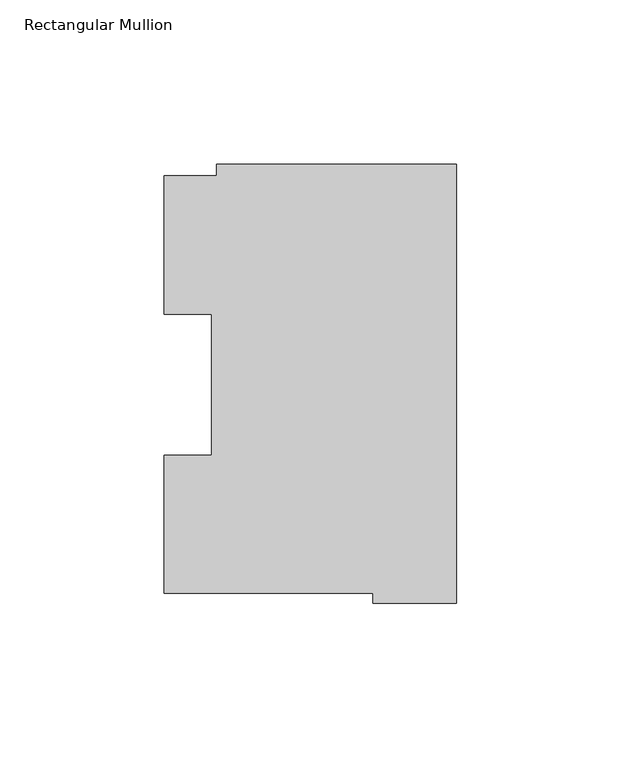
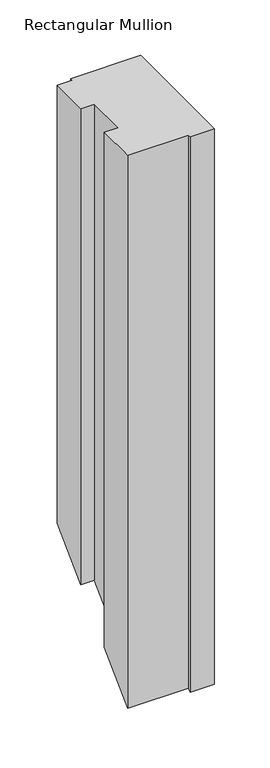
"""IFC4 building model written with IfcOpenShell, lengths in millimetres: member geometry, Rectangular Mullion."""

from ifc_helpers import new_model, si_unit, origin, place, context, project, spatial, faceted_brep, source, transform, mapped, element, save


def rectangular_mullion_07838023(model_context):
    return source(origin(), model_context, "Body", "Brep", [
        faceted_brep([(-73.025, 130.1270275, 0.0), (-73.025, 126.7086938, 0.0), (-88.8823253, 126.7086938, 0.0), (-88.8823253, 84.6335938, 0.0), (-74.4735473, 84.6335938, 0.0), (-74.4735473, 41.7837928, 0.0), (-88.8823253, 41.7837928, 0.0), (-88.8823253, -0.2913097, 0.0), (-25.3823253, -0.2913097, 0.0), (-25.3823253, -3.2371943, 0.0), (0.0, -3.2371943, 0.0), (0.0, 130.1270275, 0.0), (-73.025, 130.1270275, -479.4729725), (-73.025, 126.7086938, -482.8913062), (-88.8823253, 126.7086938, -482.8913062), (-88.8823253, 84.6335938, -524.9664062), (-74.4735473, 84.6335938, -524.9664062), (-74.4735473, 41.7837928, -567.8162072), (-88.8823253, 41.7837928, -567.8162072), (-88.8823253, -0.2913097, -609.8913097), (-25.3823253, -0.2913097, -609.8913097), (-25.3823253, -3.2371943, -612.8371943), (0.0, -3.2371943, -612.8371943), (0.0, 130.1270275, -479.4729725)], [[[0, 1, 2, 3, 4, 5, 6, 7, 8, 9, 10, 11]], [[1, 0, 12, 13]], [[2, 1, 13, 14]], [[3, 2, 14, 15]], [[4, 3, 15, 16]], [[5, 4, 16, 17]], [[6, 5, 17, 18]], [[7, 6, 18, 19]], [[8, 7, 19, 20]], [[9, 8, 20, 21]], [[10, 9, 21, 22]], [[11, 10, 22, 23]], [[0, 11, 23, 12]], [[12, 23, 22, 21, 20, 19, 18, 17, 16, 15, 14, 13]]]),
    ])


if __name__ == "__main__":
    model = new_model("IFC4")
    model_context = context("Model", 3, world=origin())
    ifc_project = project(units=[si_unit("LENGTHUNIT", "METRE", prefix="MILLI")], contexts=[model_context])
    site = spatial("IfcSite", under=ifc_project)
    building = spatial("IfcBuilding", under=site)
    placement = place(None, origin())
    rectangular_mullion_shape = rectangular_mullion_07838023(model_context)
    element("IfcMember", 1, ObjectType="Rectangular Mullion", at=placement, inside=building, context=model_context, shape_type="MappedRepresentation", body=[
        mapped(rectangular_mullion_shape, transform((0.0, 0.0, 0.0), x_axis=(1.0, 0.0, 0.0), y_axis=(0.0, 1.0, 0.0), z_axis=(0.0, 0.0, 1.0))),
    ])
    save(model, "model.ifc")
